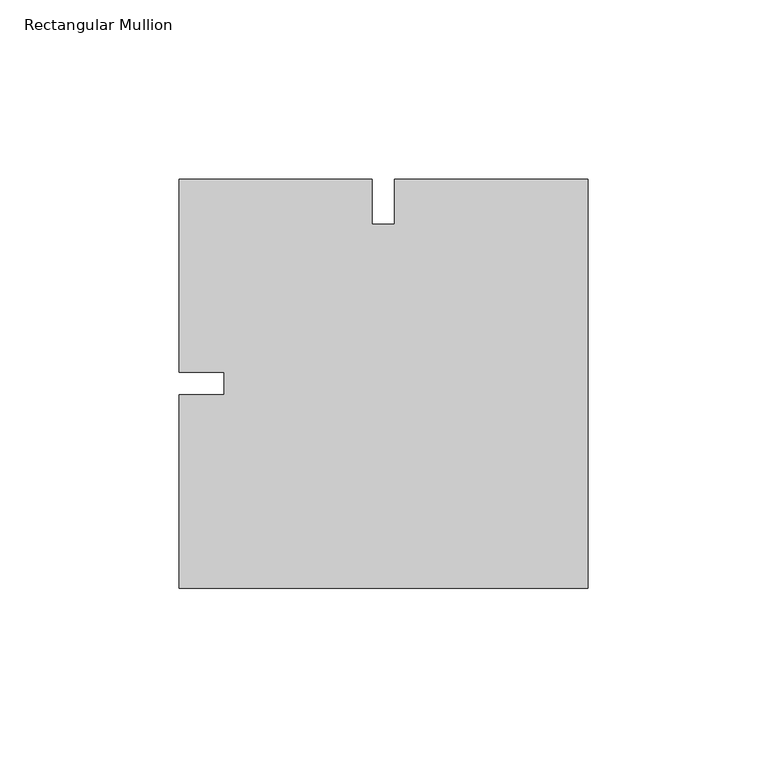
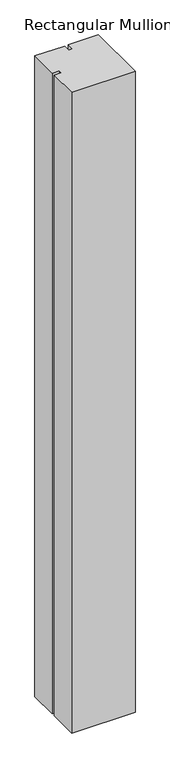
"""IFC4 building model written with IfcOpenShell, lengths in millimetres: member geometry, Rectangular Mullion."""

from ifc_helpers import new_model, si_unit, frame, origin, place, context, project, spatial, polyline, outline, extrude, source, transform, mapped, element, save


def rectangular_mullion_c9dc522c(model_context):
    return source(origin(), model_context, "Body", "SweptSolid", [
        extrude(outline(polyline([(-53.975, 57.15), (0.0, 57.15), (0.0, -57.15), (-114.3, -57.15), (-114.3, -3.175), (-101.5982296, -3.175), (-101.5982296, 3.175), (-114.3, 3.175), (-114.3, 57.15), (-60.325, 57.15), (-60.325, 44.45), (-53.975, 44.45), (-53.975, 57.15)])), frame((0.0, 0.0, -1219.2), z_axis=(0.0, 0.0, 1.0), x_axis=(1.0, 0.0, 0.0)), (0.0, 0.0, 1.0), 1219.2),
    ])


if __name__ == "__main__":
    model = new_model("IFC4")
    model_context = context("Model", 3, world=origin())
    ifc_project = project(units=[si_unit("LENGTHUNIT", "METRE", prefix="MILLI")], contexts=[model_context])
    site = spatial("IfcSite", under=ifc_project)
    building = spatial("IfcBuilding", under=site)
    placement = place(None, origin())
    rectangular_mullion_shape = rectangular_mullion_c9dc522c(model_context)
    element("IfcMember", 1, ObjectType="Rectangular Mullion", at=placement, inside=building, context=model_context, shape_type="MappedRepresentation", body=[
        mapped(rectangular_mullion_shape, transform((0.0, 0.0, 0.0), x_axis=(1.0, 0.0, 0.0), y_axis=(0.0, 1.0, 0.0), z_axis=(0.0, 0.0, 1.0))),
    ])
    save(model, "model.ifc")
